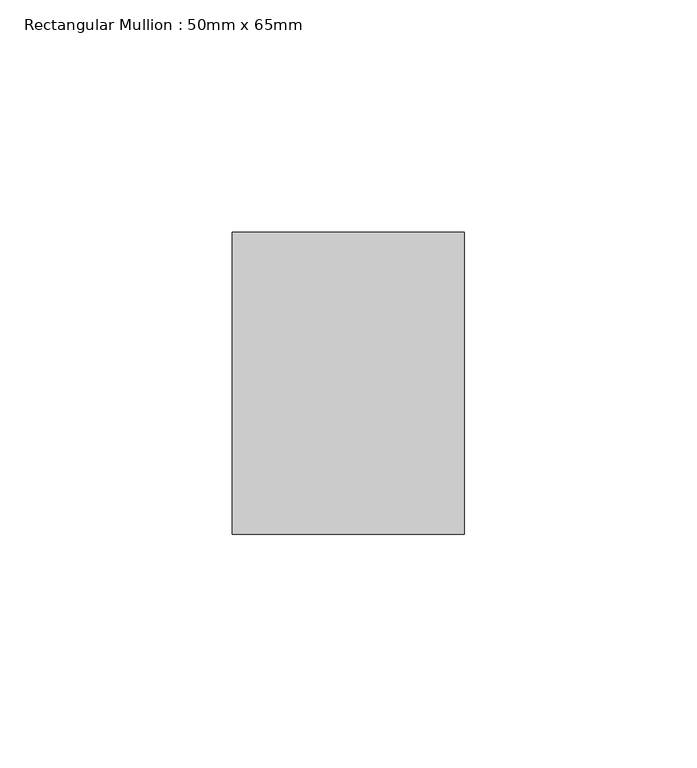
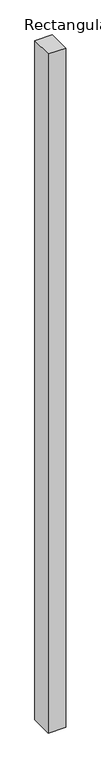
"""IFC4 building model written with IfcOpenShell, lengths in millimetres: member geometry, Rectangular Mullion : 50mm x 65mm."""

from ifc_helpers import new_model, si_unit, frame, origin, place, context, project, spatial, polyline, outline, extrude, source, transform, mapped, element, save


def rectangular_mullion_50mm_x_65mm_af4c7ae3(model_context):
    return source(origin(), model_context, "Body", "SweptSolid", [
        extrude(outline(polyline([(25.0, 32.5), (25.0, -32.5), (-25.0, -32.5), (-25.0, 32.5), (25.0, 32.5)])), frame((0.0, 0.0, -2042.038921), z_axis=(0.0, 0.0, 1.0), x_axis=(1.0, 0.0, 0.0)), (0.0, 0.0, 1.0), 2042.038921),
    ])


if __name__ == "__main__":
    model = new_model("IFC4")
    model_context = context("Model", 3, world=origin())
    ifc_project = project(units=[si_unit("LENGTHUNIT", "METRE", prefix="MILLI")], contexts=[model_context])
    site = spatial("IfcSite", under=ifc_project)
    building = spatial("IfcBuilding", under=site)
    placement = place(None, origin())
    rectangular_mullion_50mm_x_65mm_shape = rectangular_mullion_50mm_x_65mm_af4c7ae3(model_context)
    element("IfcMember", 1, ObjectType="Rectangular Mullion : 50mm x 65mm", at=placement, inside=building, context=model_context, shape_type="MappedRepresentation", body=[
        mapped(rectangular_mullion_50mm_x_65mm_shape, transform((0.0, 0.0, 0.0), x_axis=(1.0, 0.0, 0.0), y_axis=(0.0, 1.0, 0.0), z_axis=(0.0, 0.0, 1.0))),
    ])
    save(model, "model.ifc")
